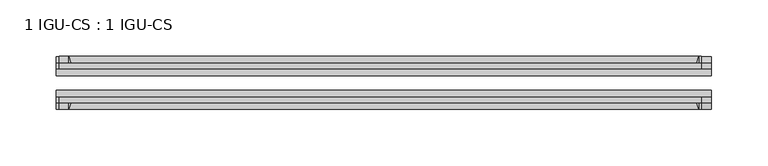
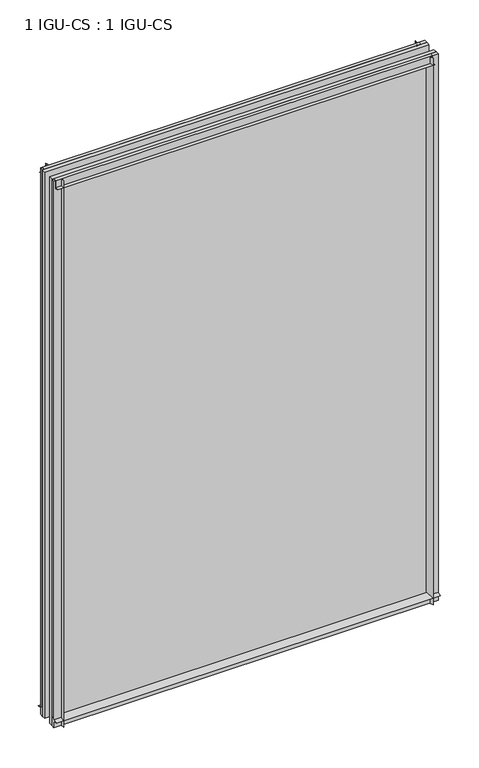
"""IFC4 building model written with IfcOpenShell, lengths in millimetres: plate geometry, 1 IGU-CS : 1 IGU-CS."""

from ifc_helpers import new_model, si_unit, point, frame, frame_2d, origin, place, context, project, spatial, polyline, circle_curve, trimmed, segment, composite_curve, outline, extrude, source, transform, mapped, element, save


def plate_1_igu_cs_1_igu_cs_b401d273(model_context):
    return source(origin(), model_context, "Body", "SweptSolid", [
        extrude(outline(composite_curve([segment(trimmed(circle_curve(frame_2d((-28.0741797, 32.2797688)), 32.7673262), [point((-44.45, 3.8979053))], [point((-33.7058, 1.48e-05))], True, "CARTESIAN"), True, "CONTINUOUS"), segment(polyline([(-33.7058, 1.48e-05), (-39.6748, 1.48e-05), (-39.6748, -10.31875), (-44.45, -10.31875), (-44.45, 3.8979053)]), True, "CONTINUOUS")], self_intersect=False)), frame((-290.5121031, 0.0, 0.0), z_axis=(1.0, 0.0, 0.0), x_axis=(0.0, 1.0, 0.0)), (0.0, 0.0, 1.0), 581.0242062),
        extrude(outline(composite_curve([segment(trimmed(circle_curve(frame_2d((-86.2258203, 32.2797602)), 32.7673262), [point((-80.5942354, 0.0))], [point((-69.85, 3.8978967))], True, "CARTESIAN"), True, "CONTINUOUS"), segment(polyline([(-69.85, 3.8978967), (-69.85, -10.31875), (-74.6252, -10.31875), (-74.6252, 0.0), (-80.5942354, 0.0)]), True, "CONTINUOUS")], self_intersect=False)), frame((-290.5121031, 0.0, 0.0), z_axis=(1.0, 0.0, 0.0), x_axis=(0.0, 1.0, 0.0)), (0.0, 0.0, 1.0), 581.0242062),
        extrude(outline(composite_curve([segment(polyline([(-80.5942, 850.9), (-74.6252, 850.9), (-74.6252, 862.0125), (-69.85, 862.0125), (-69.85, 847.0021095)]), True, "CONTINUOUS"), segment(trimmed(circle_curve(frame_2d((-86.2258203, 818.620246)), 32.7673262), [point((-69.85, 847.0021095))], [point((-80.5942, 850.9))], True, "CARTESIAN"), True, "CONTINUOUS")], self_intersect=False)), frame((-287.9123418, 0.0, 0.0), z_axis=(1.0, 0.0, 0.0), x_axis=(0.0, 1.0, 0.0)), (0.0, 0.0, 1.0), 569.8579064),
        extrude(outline(composite_curve([segment(polyline([(-39.6748, 862.0125), (-39.6748, 850.9), (-33.7058, 850.9)]), True, "CONTINUOUS"), segment(trimmed(circle_curve(frame_2d((-28.0741797, 818.620246)), 32.7673262), [point((-33.7058, 850.9))], [point((-44.45, 847.0021095))], True, "CARTESIAN"), True, "CONTINUOUS"), segment(polyline([(-44.45, 847.0021095), (-44.45, 862.0125), (-39.6748, 862.0125)]), True, "CONTINUOUS")], self_intersect=False)), frame((-287.9123418, 0.0, 0.0), z_axis=(1.0, 0.0, 0.0), x_axis=(0.0, 1.0, 0.0)), (0.0, 0.0, 1.0), 569.8579064),
        extrude(outline(composite_curve([segment(polyline([(290.5121031, -39.6748), (290.5121031, -44.45), (275.5017126, -44.45)]), True, "CONTINUOUS"), segment(trimmed(circle_curve(frame_2d((247.1198492, -28.0741797)), 32.7673262), [point((275.5017126, -44.45))], [point((279.3996031, -33.7058))], True, "CARTESIAN"), True, "CONTINUOUS"), segment(polyline([(279.3996031, -33.7058), (279.3996031, -39.6748), (290.5121031, -39.6748)]), True, "CONTINUOUS")], self_intersect=False)), frame((0.0, 0.0, -10.31875), z_axis=(0.0, 0.0, 1.0), x_axis=(1.0, 0.0, 0.0)), (0.0, 0.0, 1.0), 872.33125),
        extrude(outline(composite_curve([segment(polyline([(290.5121031, -69.85), (290.5121031, -74.6252), (279.3996031, -74.6252), (279.3996031, -80.5942)]), True, "CONTINUOUS"), segment(trimmed(circle_curve(frame_2d((247.1198492, -86.2258203)), 32.7673262), [point((279.3996031, -80.5942))], [point((275.5017126, -69.85))], True, "CARTESIAN"), True, "CONTINUOUS"), segment(polyline([(275.5017126, -69.85), (290.5121031, -69.85)]), True, "CONTINUOUS")], self_intersect=False)), frame((0.0, 0.0, -10.31875), z_axis=(0.0, 0.0, 1.0), x_axis=(1.0, 0.0, 0.0)), (0.0, 0.0, 1.0), 872.33125),
        extrude(outline(composite_curve([segment(polyline([(-290.5121031, -39.6748), (-279.3996031, -39.6748), (-279.3996031, -33.7058)]), True, "CONTINUOUS"), segment(trimmed(circle_curve(frame_2d((-247.1198492, -28.0741797)), 32.7673262), [point((-279.3996031, -33.7058))], [point((-275.5017126, -44.45))], True, "CARTESIAN"), True, "CONTINUOUS"), segment(polyline([(-275.5017126, -44.45), (-290.5121031, -44.45), (-290.5121031, -39.6748)]), True, "CONTINUOUS")], self_intersect=False)), frame((0.0, 0.0, -10.31875), z_axis=(0.0, 0.0, 1.0), x_axis=(1.0, 0.0, 0.0)), (0.0, 0.0, 1.0), 872.33125),
        extrude(outline(composite_curve([segment(polyline([(-290.5121031, -74.6252), (-290.5121031, -69.85), (-275.5017126, -69.85)]), True, "CONTINUOUS"), segment(trimmed(circle_curve(frame_2d((-247.1198492, -86.2258203)), 32.7673262), [point((-275.5017126, -69.85))], [point((-279.3996031, -80.5942))], True, "CARTESIAN"), True, "CONTINUOUS"), segment(polyline([(-279.3996031, -80.5942), (-279.3996031, -74.6252), (-290.5121031, -74.6252)]), True, "CONTINUOUS")], self_intersect=False)), frame((0.0, 0.0, -10.31875), z_axis=(0.0, 0.0, 1.0), x_axis=(1.0, 0.0, 0.0)), (0.0, 0.0, 1.0), 872.33125),
        extrude(outline(polyline([(-290.5121031, -69.85), (-290.5121031, -63.5508), (290.5121031, -63.5508), (290.5121031, -69.85), (-290.5121031, -69.85)])), frame((0.0, 0.0, -10.31875), z_axis=(0.0, 0.0, 1.0), x_axis=(1.0, 0.0, 0.0)), (0.0, 0.0, 1.0), 872.33125),
        extrude(outline(polyline([(290.5121031, -50.7492), (-290.5121031, -50.7492), (-290.5121031, -44.45), (290.5121031, -44.45), (290.5121031, -50.7492)])), frame((0.0, 0.0, -10.31875), z_axis=(0.0, 0.0, 1.0), x_axis=(1.0, 0.0, 0.0)), (0.0, 0.0, 1.0), 872.33125),
    ])


if __name__ == "__main__":
    model = new_model("IFC4")
    model_context = context("Model", 3, world=origin())
    ifc_project = project(units=[si_unit("LENGTHUNIT", "METRE", prefix="MILLI")], contexts=[model_context])
    site = spatial("IfcSite", under=ifc_project)
    building = spatial("IfcBuilding", under=site)
    placement = place(None, origin())
    plate_1_igu_cs_1_igu_cs_shape = plate_1_igu_cs_1_igu_cs_b401d273(model_context)
    element("IfcPlate", 1, ObjectType="1 IGU-CS : 1 IGU-CS", at=placement, inside=building, context=model_context, shape_type="MappedRepresentation", body=[
        mapped(plate_1_igu_cs_1_igu_cs_shape, transform((0.0, 0.0, 0.0), x_axis=(1.0, 0.0, 0.0), y_axis=(0.0, 1.0, 0.0), z_axis=(0.0, 0.0, 1.0))),
    ])
    save(model, "model.ifc")
